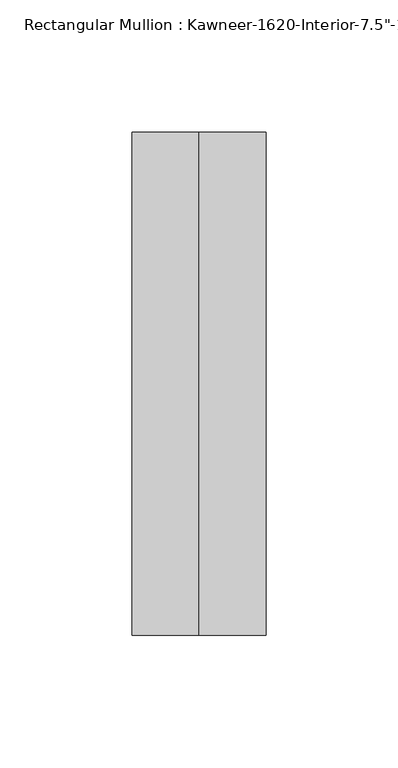
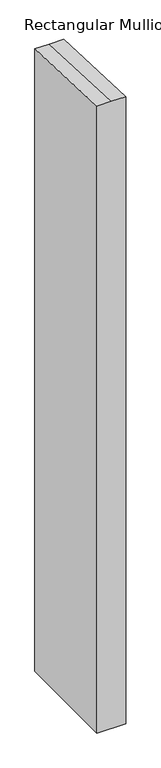
"""IFC4 building model written with IfcOpenShell, lengths in millimetres: member geometry."""

import ifcopenshell
import ifcopenshell.guid

model = None  # the IFC model being written
_history = None  # IfcOwnerHistory: only IFC2X3 demands one
_inside = {}  # id of a spatial element -> (the spatial element, [elements in it])
_under = {}  # id of a project, library or spatial element -> (it, [spatial elements below it])
_declared = {}  # id of a project -> (the project, [libraries it declares])
_typed = {}  # id of a type object -> (the type object, [elements of that type])
_made_of = {}  # id of a material, layer set ... -> (it, [elements and type objects made of it])


def new_model(schema):
    """Start an empty IFC model of exactly this schema.

    Asked for "IFC4X3", IfcOpenShell would pick the latest addendum, in which some entities
    have other attributes; the version numbers below select the first issue.
    IFC2X3 requires an IfcOwnerHistory on every rooted entity: one is made here for all.
    """
    global model, _history
    if schema == "IFC4X3":
        model = ifcopenshell.file(schema_version=(4, 3, 0, 0))
    else:
        model = ifcopenshell.file(schema=schema)
    _inside.clear()
    _under.clear()
    _declared.clear()
    _typed.clear()
    _made_of.clear()
    _history = None
    if model.schema == "IFC2X3":
        org = make("IfcOrganization", Name="unknown")
        user = make(
            "IfcPersonAndOrganization",
            ThePerson=make("IfcPerson", FamilyName="unknown"),
            TheOrganization=org,
        )
        app = make(
            "IfcApplication",
            ApplicationDeveloper=org,
            Version="unknown",
            ApplicationFullName="unknown",
            ApplicationIdentifier="unknown",
        )
        _history = make(
            "IfcOwnerHistory",
            OwningUser=user,
            OwningApplication=app,
            ChangeAction="ADDED",
            CreationDate=0,
        )
    return model


def make(cls, **values):
    """One entity of the class cls with the attributes given. An attribute that is None is left unset."""
    return model.create_entity(
        cls, **{name: value for name, value in values.items() if value is not None}
    )


def rooted(cls, **values):
    """An entity with a GlobalId (a new one), such as an element, a storey or a relation."""
    return make(cls, GlobalId=ifcopenshell.guid.new(), OwnerHistory=_history, **values)


def si_unit(unit_type, name, prefix=None):
    """IfcSIUnit, for example si_unit("LENGTHUNIT", "METRE", prefix="MILLI")."""
    return make("IfcSIUnit", UnitType=unit_type, Prefix=prefix, Name=name)


def assignment(units):
    """IfcUnitAssignment: the units of a project."""
    return None if units is None else make("IfcUnitAssignment", Units=units)


def point(xyz):
    """IfcCartesianPoint."""
    return None if xyz is None else make("IfcCartesianPoint", Coordinates=xyz)


def direction(xyz):
    """IfcDirection."""
    return None if xyz is None else make("IfcDirection", DirectionRatios=xyz)


def frame(location, z_axis=None, x_axis=None):
    """IfcAxis2Placement3D, a coordinate frame: its origin and axes. An axis left out is left unset."""
    return make(
        "IfcAxis2Placement3D",
        Location=point(location),
        Axis=direction(z_axis),
        RefDirection=direction(x_axis),
    )


def origin():
    """The frame at (0, 0, 0) with its axes left unset."""
    return frame((0.0, 0.0, 0.0))


def place(relative_to, where):
    """IfcLocalPlacement: puts the frame where relative to a parent placement (None: the world)."""
    return make(
        "IfcLocalPlacement", PlacementRelTo=relative_to, RelativePlacement=where
    )


def context(
    kind, dimensions, precision=None, world=None, true_north=None, identifier=None
):
    """IfcGeometricRepresentationContext, for example the 3D "Model" context."""
    return make(
        "IfcGeometricRepresentationContext",
        ContextIdentifier=identifier,
        ContextType=kind,
        CoordinateSpaceDimension=dimensions,
        Precision=precision,
        WorldCoordinateSystem=world,
        TrueNorth=true_north,
    )


def project(units=None, contexts=None):
    """IfcProject with its units and contexts."""
    return rooted(
        "IfcProject",
        Name="project",
        RepresentationContexts=contexts,
        UnitsInContext=assignment(units),
    )


def spatial(cls, under=None, at=None, **own):
    """A site, building, storey or space (cls), placed at a placement, below another one or the project."""
    s = rooted(cls, ObjectPlacement=at, **own)
    if under is not None:
        _under.setdefault(under.id(), (under, []))[1].append(s)
    return s


def faces_of(points, faces, orient=None, outer=None):
    """IfcFace entities. A face is a list of loops; a loop is a list of indices into points, from 0.

    orient and outer hold one flag for each loop. By default every Orientation is true, the
    first loop of a face is its IfcFaceOuterBound and the others are IfcFaceBound.
    """
    made = []
    for i, loops in enumerate(faces):
        bounds = []
        for j, loop in enumerate(loops):
            is_outer = j == 0 if outer is None else outer[i][j]
            bounds.append(
                make(
                    "IfcFaceOuterBound" if is_outer else "IfcFaceBound",
                    Bound=make("IfcPolyLoop", Polygon=[points[k] for k in loop]),
                    Orientation=True if orient is None else orient[i][j],
                )
            )
        made.append(make("IfcFace", Bounds=bounds))
    return made


def faceted_brep(points, faces, orient=None, outer=None, voids=None):
    """IfcFacetedBrep: a solid bounded by flat faces; with voids (closed shells), ...WithVoids."""
    shared = [point(p) for p in points]
    hull = make("IfcClosedShell", CfsFaces=faces_of(shared, faces, orient, outer))
    if voids is None:
        return make("IfcFacetedBrep", Outer=hull)
    return make(
        "IfcFacetedBrepWithVoids",
        Outer=hull,
        Voids=[
            make(cls, CfsFaces=faces_of(shared, fs, o, b)) for cls, fs, o, b in voids
        ],
    )


def shape(context_of_items, identifier, shape_type, items):
    """IfcShapeRepresentation: the items that make up one representation, for example the "Body"."""
    return make(
        "IfcShapeRepresentation",
        ContextOfItems=context_of_items,
        RepresentationIdentifier=identifier,
        RepresentationType=shape_type,
        Items=items,
    )


def source(mapping_origin, context_of_items, identifier, shape_type, items):
    """IfcRepresentationMap: a shape defined once, which mapped items show again and again."""
    return make(
        "IfcRepresentationMap",
        MappingOrigin=mapping_origin,
        MappedRepresentation=shape(context_of_items, identifier, shape_type, items),
    )


def transform(
    local_origin,
    x_axis=None,
    y_axis=None,
    z_axis=None,
    scale=None,
    scale2=None,
    scale3=None,
    uniform=True,
):
    """IfcCartesianTransformationOperator3D, or its non-uniform kind. x_axis, y_axis, z_axis: its Axis1, 2, 3."""
    if uniform:
        return make(
            "IfcCartesianTransformationOperator3D",
            Axis1=direction(x_axis),
            Axis2=direction(y_axis),
            LocalOrigin=point(local_origin),
            Scale=scale,
            Axis3=direction(z_axis),
        )
    return make(
        "IfcCartesianTransformationOperator3DnonUniform",
        Axis1=direction(x_axis),
        Axis2=direction(y_axis),
        LocalOrigin=point(local_origin),
        Scale=scale,
        Axis3=direction(z_axis),
        Scale2=scale2,
        Scale3=scale3,
    )


def mapped(mapping_source, mapping_target):
    """IfcMappedItem: shows the shape of a source again, moved by a transform."""
    return make(
        "IfcMappedItem", MappingSource=mapping_source, MappingTarget=mapping_target
    )


def made_of(thing, what):
    """Note that an element or type object is made of a material, layer set ...; save() writes the relation."""
    if what is not None:
        _made_of.setdefault(what.id(), (what, []))[1].append(thing)
    return thing


def element(
    cls,
    number,
    at=None,
    inside=None,
    cuts=None,
    type_object=None,
    material=None,
    context=None,
    identifier="Body",
    shape_type=None,
    held_by="IfcProductDefinitionShape",
    body=None,
    shapes=None,
    **own,
):
    """One element of the class cls, such as IfcWall. Its Tag is "e" and its number.

    at: its placement. inside: the storey or other place that contains it. cuts: it is an
    opening in that element (IfcRelVoidsElement). A single representation is given by context,
    identifier, shape_type and body (its items); several are given by shapes. held_by: the class
    of the entity that holds the representations. save() writes the other relations.
    """
    e = rooted(cls, Tag="e%d" % number, ObjectPlacement=at, **own)
    if body is not None:
        shapes = [shape(context, identifier, shape_type, body)]
    if shapes is not None:
        e.Representation = make(held_by, Representations=shapes)
    if inside is not None:
        _inside.setdefault(inside.id(), (inside, []))[1].append(e)
    if cuts is not None:
        rooted(
            "IfcRelVoidsElement", RelatingBuildingElement=cuts, RelatedOpeningElement=e
        )
    if type_object is not None:
        _typed.setdefault(type_object.id(), (type_object, []))[1].append(e)
    return made_of(e, material)


def aggregate(whole, parts):
    """IfcRelAggregates: a whole, such as a stair, and the parts it consists of."""
    return rooted("IfcRelAggregates", RelatingObject=whole, RelatedObjects=parts)


def save(model, path):
    """Write the relations noted so far, then the file.

    IfcRelAggregates (storeys below a building ...), IfcRelContainedInSpatialStructure (elements
    in a storey), IfcRelDefinesByType, IfcRelAssociatesMaterial and IfcRelDeclares: one each for
    every whole, place, type object, material and project.
    """
    for whole, parts in _under.values():
        aggregate(whole, parts)
    for where, things in _inside.values():
        rooted(
            "IfcRelContainedInSpatialStructure",
            RelatedElements=things,
            RelatingStructure=where,
        )
    for kind, things in _typed.values():
        rooted("IfcRelDefinesByType", RelatedObjects=things, RelatingType=kind)
    for what, things in _made_of.values():
        rooted("IfcRelAssociatesMaterial", RelatedObjects=things, RelatingMaterial=what)
    for by, libraries in _declared.values():
        rooted("IfcRelDeclares", RelatingContext=by, RelatedDefinitions=libraries)
    model.write(path)


def member_b165154e(model_context):
    return source(origin(), model_context, "Body", "Brep", [
        faceted_brep([(25.4, -161.925, -1167.8448099), (-25.4, -161.925, -1167.8448099), (-25.4, 28.575, -1167.8448099), (25.4, 28.575, -1167.8448099), (25.4, 28.575, -1.2476114), (25.4, -161.925, 7.0697982), (-25.4, 28.575, -1.2476114), (0.0, 28.575, -1.2476114), (-25.4, -161.925, 7.0697982), (0.0, -161.925, 7.0697982)], [[[0, 1, 2, 3]], [[4, 5, 0, 3]], [[6, 7, 4, 3, 2]], [[8, 6, 2, 1]], [[5, 9, 8, 1, 0]], [[5, 4, 7, 9]], [[7, 6, 8, 9]]]),
    ])


if __name__ == "__main__":
    model = new_model("IFC4")
    model_context = context("Model", 3, world=origin())
    ifc_project = project(units=[si_unit("LENGTHUNIT", "METRE", prefix="MILLI")], contexts=[model_context])
    site = spatial("IfcSite", under=ifc_project)
    building = spatial("IfcBuilding", under=site)
    placement = place(None, origin())
    member_shape = member_b165154e(model_context)
    element("IfcMember", 1, ObjectType="Rectangular Mullion : Kawneer-1620-Interior-7.5\"-1/4\"Infill", at=placement, inside=building, context=model_context, shape_type="MappedRepresentation", body=[
        mapped(member_shape, transform((0.0, 0.0, 0.0), x_axis=(1.0, 0.0, 0.0), y_axis=(0.0, 1.0, 0.0), z_axis=(0.0, 0.0, 1.0))),
    ])
    save(model, "model.ifc")
